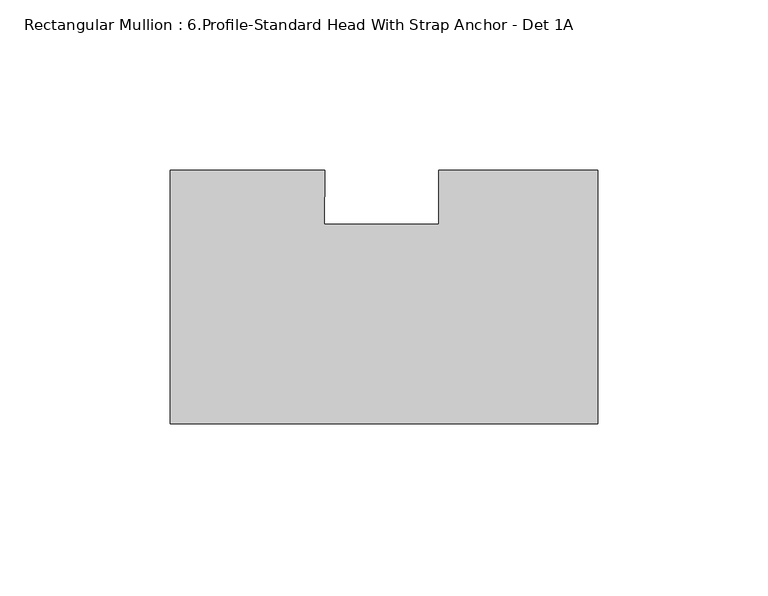
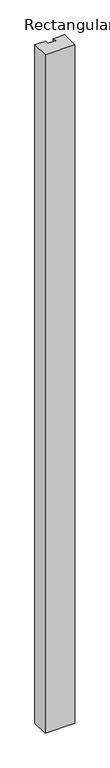
"""IFC4 building model written with IfcOpenShell, lengths in millimetres: member geometry, Rectangular Mullion : 6.Profile-Standard Head With Strap Anchor - Det 1A."""

from ifc_helpers import new_model, si_unit, frame, origin, place, context, project, spatial, polyline, outline, extrude, source, transform, mapped, element, save


def rectangular_mullion_6_profile_standard_head_with_strap_c35a2cf7(model_context):
    return source(origin(), model_context, "Body", "SweptSolid", [
        extrude(outline(polyline([(-125.7808, 34.925), (-80.2810629, 34.925), (-80.4751121, 19.05), (-46.8497888, 19.05), (-46.8497888, 34.925), (0.0, 34.925), (0.0, -39.6875), (-125.7808, -39.6875), (-125.7808, 34.925)])), frame((0.0, 0.0, -3048.0), z_axis=(0.0, 0.0, 1.0), x_axis=(1.0, 0.0, 0.0)), (0.0, 0.0, 1.0), 3048.0),
    ])


if __name__ == "__main__":
    model = new_model("IFC4")
    model_context = context("Model", 3, world=origin())
    ifc_project = project(units=[si_unit("LENGTHUNIT", "METRE", prefix="MILLI")], contexts=[model_context])
    site = spatial("IfcSite", under=ifc_project)
    building = spatial("IfcBuilding", under=site)
    placement = place(None, origin())
    rectangular_mullion_6_profile_standard_head_with_strap_shape = rectangular_mullion_6_profile_standard_head_with_strap_c35a2cf7(model_context)
    element("IfcMember", 1, ObjectType="Rectangular Mullion : 6.Profile-Standard Head With Strap Anchor - Det 1A", at=placement, inside=building, context=model_context, shape_type="MappedRepresentation", body=[
        mapped(rectangular_mullion_6_profile_standard_head_with_strap_shape, transform((0.0, 0.0, 0.0), x_axis=(1.0, 0.0, 0.0), y_axis=(0.0, 1.0, 0.0), z_axis=(0.0, 0.0, 1.0))),
    ])
    save(model, "model.ifc")
